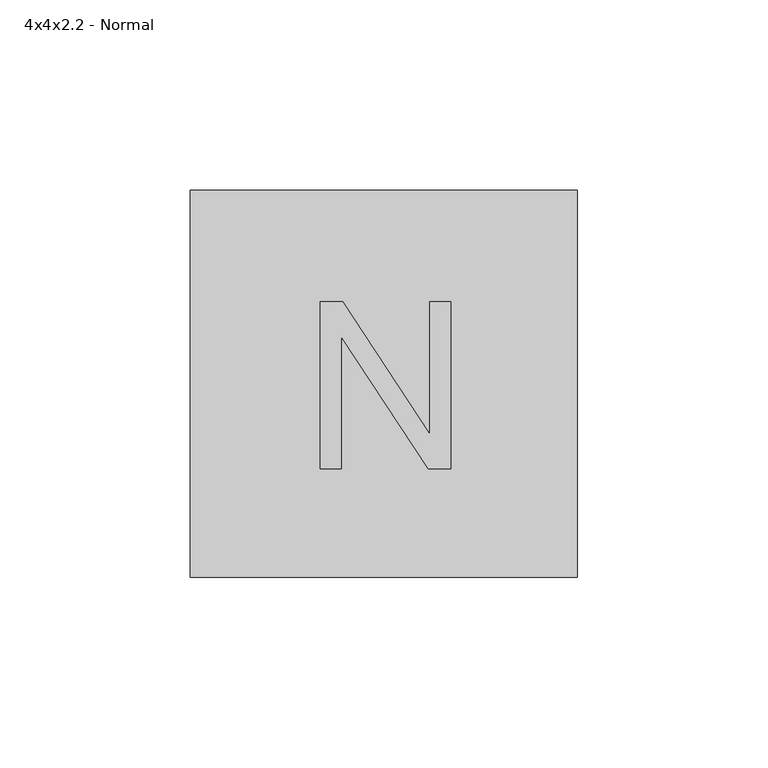
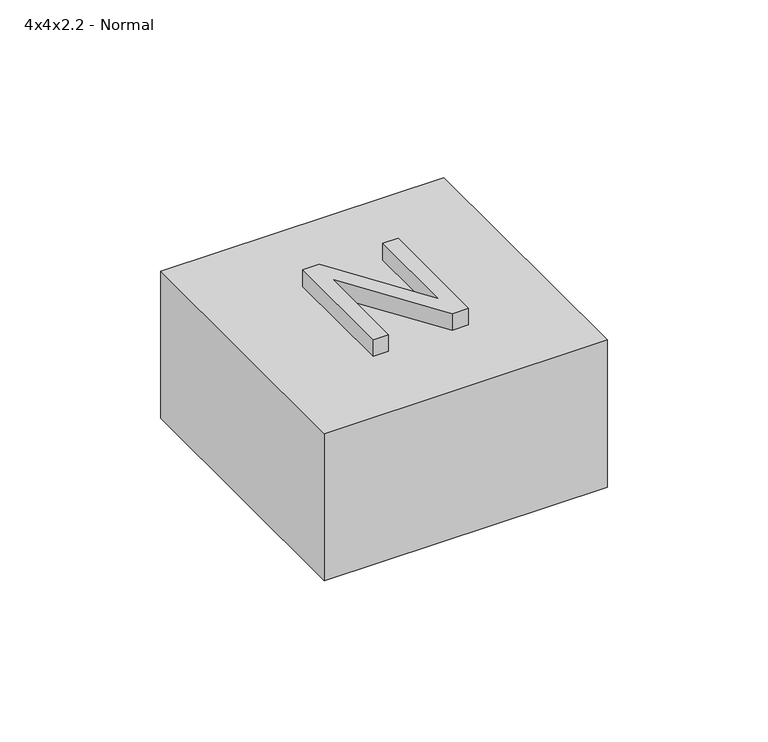
"""IFC4 building model written with IfcOpenShell, lengths in millimetres: proxy geometry, 4x4x2.2 - Normal."""

from ifc_helpers import new_model, si_unit, frame, origin, origin_with_axes, place, context, project, spatial, polyline, outline, extrude, source, transform, mapped, element, save


def proxy_4x4x2_2_normal_5acb1b2d(model_context):
    return source(origin(), model_context, "Body", "SweptSolid", [
        extrude(outline(polyline([(-16.6931731, -22.225), (-16.6931731, 21.5411538), (-10.8377404, 21.5411538), (12.0283654, -13.1319832), (12.0283654, 21.5411538), (17.4991346, 21.5411538), (17.4991346, -22.225), (11.6437019, -22.225), (-11.2224038, 12.4588221), (-11.2224038, -22.225), (-16.6931731, -22.225)])), frame((0.0, 0.0, 55.88), z_axis=(0.0, 0.0, 1.0), x_axis=(1.0, 0.0, 0.0)), (0.0, 0.0, 1.0), 6.35),
        extrude(outline(polyline([(50.8, 50.8), (50.8, -50.8), (-50.8, -50.8), (-50.8, 50.8), (50.8, 50.8)])), origin_with_axes(), (0.0, 0.0, 1.0), 55.88),
    ])


if __name__ == "__main__":
    model = new_model("IFC4")
    model_context = context("Model", 3, world=origin())
    ifc_project = project(units=[si_unit("LENGTHUNIT", "METRE", prefix="MILLI")], contexts=[model_context])
    site = spatial("IfcSite", under=ifc_project)
    building = spatial("IfcBuilding", under=site)
    placement = place(None, origin())
    proxy_4x4x2_2_normal_shape = proxy_4x4x2_2_normal_5acb1b2d(model_context)
    element("IfcBuildingElementProxy", 1, Name="4x4x2.2 - Normal", ObjectType="4x4x2.2 - Normal", at=placement, inside=building, context=model_context, shape_type="MappedRepresentation", body=[
        mapped(proxy_4x4x2_2_normal_shape, transform((0.0, 0.0, 0.0), x_axis=(1.0, 0.0, 0.0), y_axis=(0.0, 1.0, 0.0), z_axis=(0.0, 0.0, 1.0))),
    ])
    save(model, "model.ifc")
